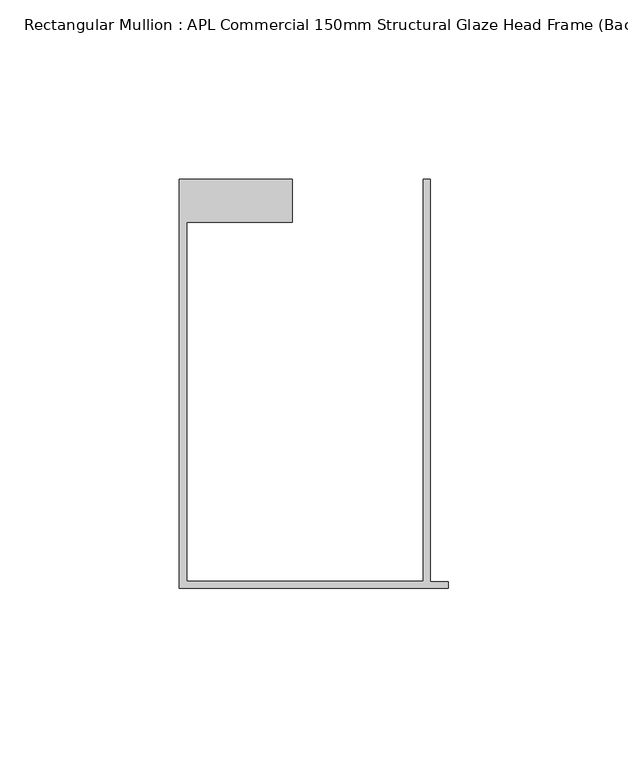
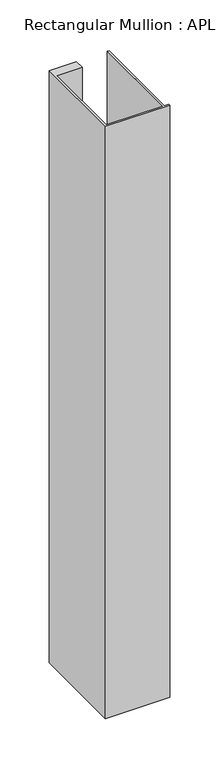
"""IFC4 building model written with IfcOpenShell, lengths in millimetres: member geometry, Rectangular Mullion : APL Commercial 150mm Structural Glaze Head Frame (Back)."""

from ifc_helpers import new_model, si_unit, frame, origin, place, context, project, spatial, polyline, outline, extrude, source, transform, mapped, element, save


def rectangular_mullion_apl_commercial_150mm_structural_glaze_f974fc5a(model_context):
    return source(origin(), model_context, "Body", "SweptSolid", [
        extrude(outline(polyline([(-75.0, -128.9993063), (-75.0, -14.9998342), (-43.5000151, -14.9998342), (-43.5000151, -26.9997514), (-73.0, -26.9997514), (-73.0, -126.9993063), (-7.0, -126.9993063), (-7.0, -14.9998342), (-5.0, -14.9998342), (-5.0, -127.1993063), (0.0, -127.1993063), (0.0, -128.9993063), (-75.0, -128.9993063)])), frame((0.0, 0.0, -733.4594304), z_axis=(0.0, 0.0, 1.0), x_axis=(1.0, 0.0, 0.0)), (0.0, 0.0, 1.0), 733.4594304),
    ])


if __name__ == "__main__":
    model = new_model("IFC4")
    model_context = context("Model", 3, world=origin())
    ifc_project = project(units=[si_unit("LENGTHUNIT", "METRE", prefix="MILLI")], contexts=[model_context])
    site = spatial("IfcSite", under=ifc_project)
    building = spatial("IfcBuilding", under=site)
    placement = place(None, origin())
    rectangular_mullion_apl_commercial_150mm_structural_glaze_shape = rectangular_mullion_apl_commercial_150mm_structural_glaze_f974fc5a(model_context)
    element("IfcMember", 1, ObjectType="Rectangular Mullion : APL Commercial 150mm Structural Glaze Head Frame (Back)", at=placement, inside=building, context=model_context, shape_type="MappedRepresentation", body=[
        mapped(rectangular_mullion_apl_commercial_150mm_structural_glaze_shape, transform((0.0, 0.0, 0.0), x_axis=(1.0, 0.0, 0.0), y_axis=(0.0, 1.0, 0.0), z_axis=(0.0, 0.0, 1.0))),
    ])
    save(model, "model.ifc")
